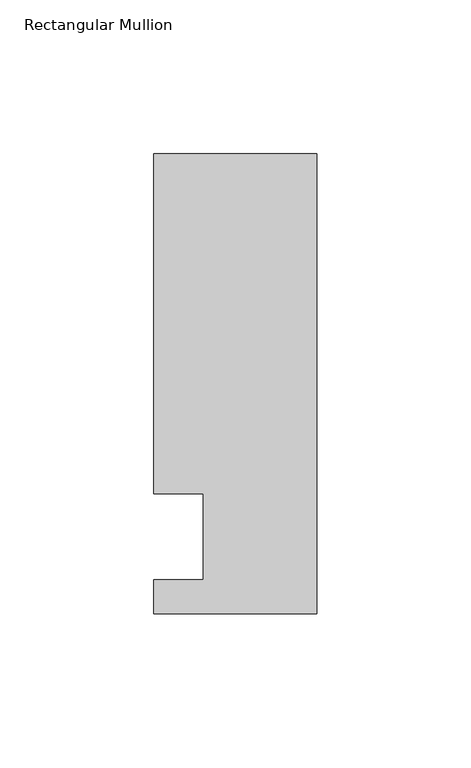
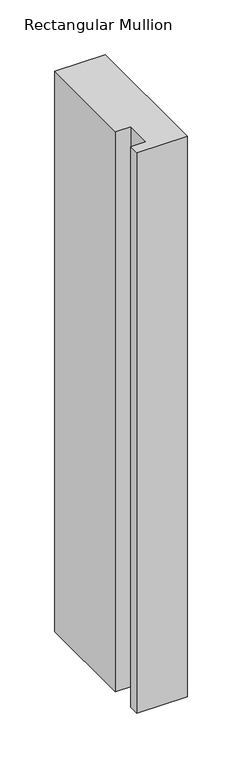
"""IFC4 building model written with IfcOpenShell, lengths in millimetres: member geometry, Rectangular Mullion."""

from ifc_helpers import new_model, si_unit, frame, origin, place, context, project, spatial, polyline, outline, extrude, source, transform, mapped, element, save


def rectangular_mullion_956fe684(model_context):
    return source(origin(), model_context, "Body", "SweptSolid", [
        extrude(outline(polyline([(-37.0, -13.9999453), (-37.0, 14.0000547), (-53.0, 14.0000547), (-53.0, 124.5000547), (0.0, 124.5000547), (0.0, -24.9999453), (-53.0, -24.9999453), (-53.0, -13.9999453), (-37.0, -13.9999453)])), frame((0.0, 0.0, -623.7213291), z_axis=(0.0, 0.0, 1.0), x_axis=(1.0, 0.0, 0.0)), (0.0, 0.0, 1.0), 623.7213291),
    ])


if __name__ == "__main__":
    model = new_model("IFC4")
    model_context = context("Model", 3, world=origin())
    ifc_project = project(units=[si_unit("LENGTHUNIT", "METRE", prefix="MILLI")], contexts=[model_context])
    site = spatial("IfcSite", under=ifc_project)
    building = spatial("IfcBuilding", under=site)
    placement = place(None, origin())
    rectangular_mullion_shape = rectangular_mullion_956fe684(model_context)
    element("IfcMember", 1, ObjectType="Rectangular Mullion", at=placement, inside=building, context=model_context, shape_type="MappedRepresentation", body=[
        mapped(rectangular_mullion_shape, transform((0.0, 0.0, 0.0), x_axis=(1.0, 0.0, 0.0), y_axis=(0.0, 1.0, 0.0), z_axis=(0.0, 0.0, 1.0))),
    ])
    save(model, "model.ifc")
